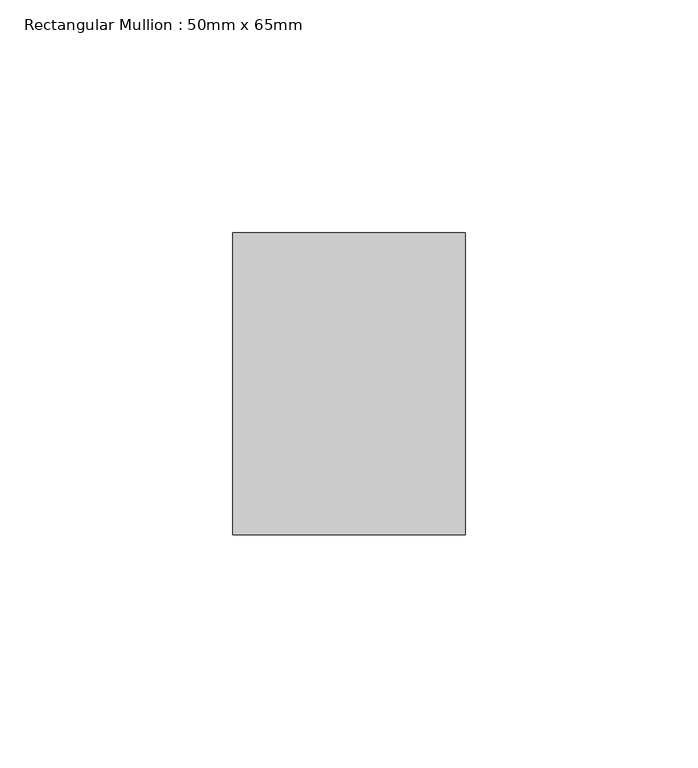
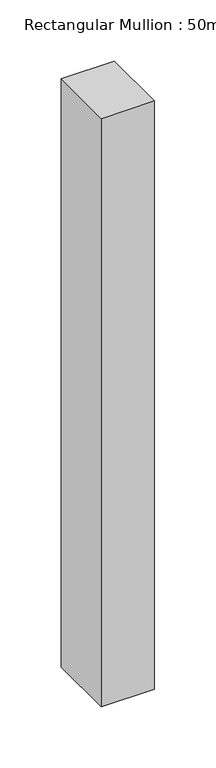
"""IFC4 building model written with IfcOpenShell, lengths in millimetres: member geometry, Rectangular Mullion : 50mm x 65mm."""

from ifc_helpers import new_model, si_unit, frame, origin, place, context, project, spatial, polyline, outline, extrude, source, transform, mapped, element, save


def rectangular_mullion_50mm_x_65mm_2ab952ae(model_context):
    return source(origin(), model_context, "Body", "SweptSolid", [
        extrude(outline(polyline([(25.0, 32.5), (25.0, -32.5), (-25.0, -32.5), (-25.0, 32.5), (25.0, 32.5)])), frame((0.0, 0.0, -585.2034386), z_axis=(0.0, 0.0, 1.0), x_axis=(1.0, 0.0, 0.0)), (0.0, 0.0, 1.0), 585.2034386),
    ])


if __name__ == "__main__":
    model = new_model("IFC4")
    model_context = context("Model", 3, world=origin())
    ifc_project = project(units=[si_unit("LENGTHUNIT", "METRE", prefix="MILLI")], contexts=[model_context])
    site = spatial("IfcSite", under=ifc_project)
    building = spatial("IfcBuilding", under=site)
    placement = place(None, origin())
    rectangular_mullion_50mm_x_65mm_shape = rectangular_mullion_50mm_x_65mm_2ab952ae(model_context)
    element("IfcMember", 1, ObjectType="Rectangular Mullion : 50mm x 65mm", at=placement, inside=building, context=model_context, shape_type="MappedRepresentation", body=[
        mapped(rectangular_mullion_50mm_x_65mm_shape, transform((0.0, 0.0, 0.0), x_axis=(1.0, 0.0, 0.0), y_axis=(0.0, 1.0, 0.0), z_axis=(0.0, 0.0, 1.0))),
    ])
    save(model, "model.ifc")
